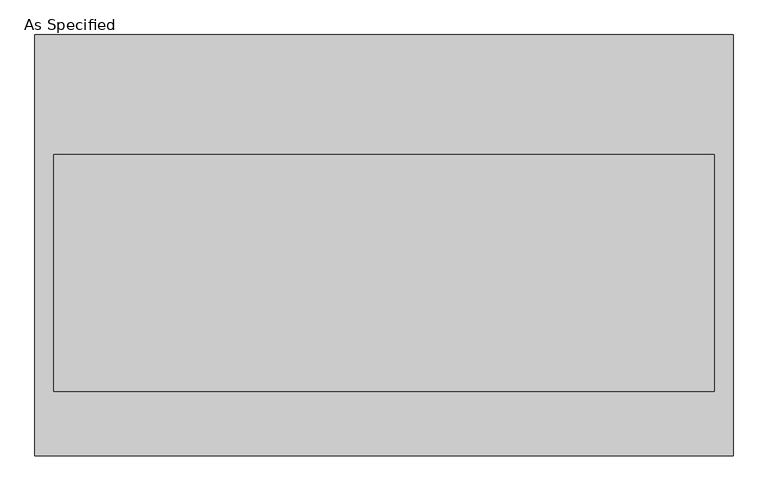
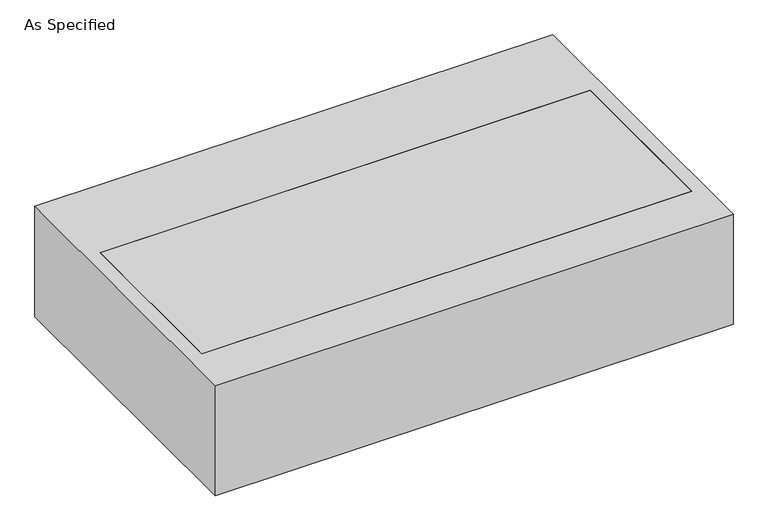
"""IFC4 building model written with IfcOpenShell, lengths in millimetres: proxy geometry, As Specified."""

from ifc_helpers import new_model, si_unit, frame, origin, place, context, project, spatial, polyline, outline, extrude, source, transform, mapped, element, save


def as_specified_adc85d4e(model_context):
    return source(origin(), model_context, "Body", "SweptSolid", [
        extrude(outline(polyline([(-1120.775, -676.275), (-1120.775, 676.275), (1120.775, 676.275), (1120.775, -676.275), (-1120.775, -676.275)]), holes=[polyline([(1060.45, 292.1), (-1060.45, 292.1), (-1060.45, -469.9), (1060.45, -469.9), (1060.45, 292.1)])]), frame((0.0, 0.0, -530.225), z_axis=(0.0, 0.0, 1.0), x_axis=(1.0, 0.0, 0.0)), (0.0, 0.0, 1.0), 504.825),
        extrude(outline(polyline([(1060.45, 292.1), (1060.45, -469.9), (-1060.45, -469.9), (-1060.45, 292.1), (1060.45, 292.1)])), frame((0.0, 0.0, -530.225), z_axis=(0.0, 0.0, 1.0), x_axis=(1.0, 0.0, 0.0)), (0.0, 0.0, 1.0), 504.825),
    ])


if __name__ == "__main__":
    model = new_model("IFC4")
    model_context = context("Model", 3, world=origin())
    ifc_project = project(units=[si_unit("LENGTHUNIT", "METRE", prefix="MILLI")], contexts=[model_context])
    site = spatial("IfcSite", under=ifc_project)
    building = spatial("IfcBuilding", under=site)
    placement = place(None, origin())
    as_specified_shape = as_specified_adc85d4e(model_context)
    element("IfcBuildingElementProxy", 1, Name="As Specified", ObjectType="As Specified", at=placement, inside=building, context=model_context, shape_type="MappedRepresentation", body=[
        mapped(as_specified_shape, transform((0.0, 0.0, 0.0), x_axis=(1.0, 0.0, 0.0), y_axis=(0.0, 1.0, 0.0), z_axis=(0.0, 0.0, 1.0))),
    ])
    save(model, "model.ifc")
